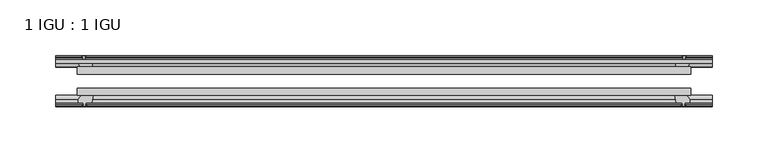
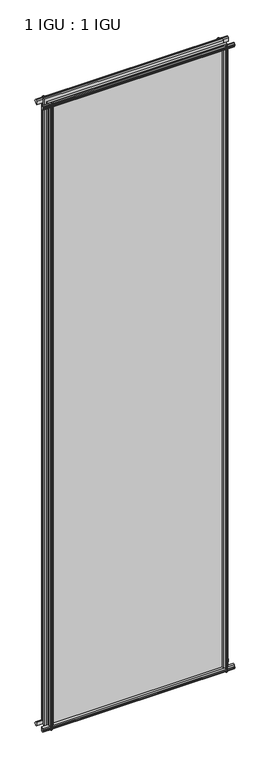
"""IFC4 building model written with IfcOpenShell, lengths in millimetres: plate geometry, 1 IGU : 1 IGU."""

from ifc_helpers import new_model, si_unit, frame, origin, place, context, project, spatial, polyline, outline, extrude, source, transform, mapped, element, save


def plate_1_igu_1_igu_d86a73c6(model_context):
    return source(origin(), model_context, "Body", "SweptSolid", [
        extrude(outline(polyline([(-273.8239964, -38.6468937), (273.8239964, -38.6468937), (273.8239964, -44.9460938), (-273.8239964, -44.9460938), (-273.8239964, -38.6468937)])), frame((0.0, 0.0, -12.7), z_axis=(0.0, 0.0, 1.0), x_axis=(1.0, 0.0, 0.0)), (0.0, 0.0, 1.0), 2019.2872996),
        extrude(outline(polyline([(-273.8239964, -19.5460937), (273.8239964, -19.5460937), (273.8239964, -25.8960938), (-273.8239964, -25.8960938), (-273.8239964, -19.5460937)])), frame((0.0, 0.0, -12.7), z_axis=(0.0, 0.0, 1.0), x_axis=(1.0, 0.0, 0.0)), (0.0, 0.0, 1.0), 2019.2872996),
        extrude(outline(polyline([(-44.9460937, 1.7177181), (-44.9460937, -9.1036578), (-48.3496937, -11.938), (-51.2960937, -11.938), (-51.2960937, -7.493), (-53.6762907, -7.112), (-53.2163575, -8.5275291), (-54.0175717, -8.5275291), (-54.7250937, -6.35), (-54.0175717, -4.1724709), (-53.2163575, -4.1724709), (-53.6762907, -5.588), (-51.2960937, -5.207), (-51.2960937, 0.0), (-44.9460937, 1.7177181)])), frame((-292.8739964, 0.0, 0.0), z_axis=(1.0, 0.0, 0.0), x_axis=(0.0, 1.0, 0.0)), (0.0, 0.0, 1.0), 585.7479928),
        extrude(outline(polyline([(-13.1960937, -12.4587), (-16.1424937, -12.4587), (-19.5460937, -9.6243578), (-19.5460937, 1.1970181), (-13.1960937, -0.5207), (-13.1960937, -5.7277), (-10.8158968, -6.1087), (-11.27583, -4.6931709), (-10.4746158, -4.6931709), (-9.7670937, -6.8707), (-10.4746158, -9.0482291), (-11.27583, -9.0482291), (-10.8158968, -7.6327), (-13.1960937, -8.0137), (-13.1960937, -12.4587)])), frame((-292.8739964, 0.0, 0.0), z_axis=(1.0, 0.0, 0.0), x_axis=(0.0, 1.0, 0.0)), (0.0, 0.0, 1.0), 585.7479928),
        extrude(outline(polyline([(-51.2960937, 2005.8252996), (-48.3496937, 2005.8252996), (-44.9460937, 2002.9909574), (-44.9460937, 1992.1695815), (-51.2960937, 1993.8872996), (-51.2960937, 1999.0942996), (-53.6762907, 1999.4752996), (-53.2163575, 1998.0597705), (-54.0175717, 1998.0597705), (-54.7250937, 2000.2372996), (-54.0175717, 2002.4148286), (-53.2163575, 2002.4148286), (-53.6762907, 2000.9992996), (-51.2960937, 2001.3802996), (-51.2960937, 2005.8252996)])), frame((-292.8739964, 0.0, 0.0), z_axis=(1.0, 0.0, 0.0), x_axis=(0.0, 1.0, 0.0)), (0.0, 0.0, 1.0), 585.7479928),
        extrude(outline(polyline([(-19.5460937, 1992.6902815), (-19.5460937, 2003.5116574), (-16.1424937, 2006.3459996), (-13.1960937, 2006.3459996), (-13.1960937, 2001.9009996), (-10.8158968, 2001.5199996), (-11.27583, 2002.9355286), (-10.4746158, 2002.9355286), (-9.7670937, 2000.7579996), (-10.4746158, 1998.5804705), (-11.27583, 1998.5804705), (-10.8158968, 1999.9959996), (-13.1960937, 1999.6149996), (-13.1960937, 1994.4079996), (-19.5460937, 1992.6902815)])), frame((-292.8739964, 0.0, 0.0), z_axis=(1.0, 0.0, 0.0), x_axis=(0.0, 1.0, 0.0)), (0.0, 0.0, 1.0), 585.7479928),
        extrude(outline(polyline([(259.9269783, -19.5460938), (261.6446964, -13.1960938), (266.8516964, -13.1960938), (267.2326964, -10.8158968), (265.8171673, -11.27583), (265.8171673, -10.4746158), (267.9946964, -9.7670938), (270.1722254, -10.4746158), (270.1722254, -11.27583), (268.7566964, -10.8158968), (269.1376964, -13.1960938), (273.5826964, -13.1960938), (273.5826964, -16.1424938), (270.7483542, -19.5460938), (259.9269783, -19.5460938)])), frame((0.0, 0.0, -12.7), z_axis=(0.0, 0.0, 1.0), x_axis=(1.0, 0.0, 0.0)), (0.0, 0.0, 1.0), 2019.2872997),
        extrude(outline(polyline([(259.4062783, -44.9460938), (270.2276542, -44.9460938), (273.0619964, -48.3496938), (273.0619964, -51.2960938), (268.6169964, -51.2960938), (268.2359964, -53.6762907), (269.6515254, -53.2163575), (269.6515254, -54.0175717), (267.4739964, -54.7250938), (265.2964673, -54.0175717), (265.2964673, -53.2163575), (266.7119964, -53.6762907), (266.3309964, -51.2960938), (261.1239964, -51.2960938), (259.4062783, -44.9460938)])), frame((0.0, 0.0, -12.7), z_axis=(0.0, 0.0, 1.0), x_axis=(1.0, 0.0, 0.0)), (0.0, 0.0, 1.0), 2019.2872997),
        extrude(outline(polyline([(-267.9946964, -9.7670937), (-265.8171673, -10.4746158), (-265.8171673, -11.27583), (-267.2326964, -10.8158968), (-266.8516964, -13.1960937), (-261.6446964, -13.1960937), (-259.9269783, -19.5460937), (-270.7483542, -19.5460937), (-273.5826964, -16.1424937), (-273.5826964, -13.1960937), (-269.1376964, -13.1960937), (-268.7566964, -10.8158968), (-270.1722254, -11.27583), (-270.1722254, -10.4746158), (-267.9946964, -9.7670937)])), frame((0.0, 0.0, -12.7), z_axis=(0.0, 0.0, 1.0), x_axis=(1.0, 0.0, 0.0)), (0.0, 0.0, 1.0), 2019.2872997),
        extrude(outline(polyline([(-273.0619964, -48.3496937), (-270.2276542, -44.9460937), (-259.4062783, -44.9460937), (-261.1239964, -51.2960937), (-266.3309964, -51.2960937), (-266.7119964, -53.6762907), (-265.2964673, -53.2163575), (-265.2964673, -54.0175717), (-267.4739964, -54.7250937), (-269.6515254, -54.0175717), (-269.6515254, -53.2163575), (-268.2359964, -53.6762907), (-268.6169964, -51.2960937), (-273.0619964, -51.2960937), (-273.0619964, -48.3496937)])), frame((0.0, 0.0, -12.7), z_axis=(0.0, 0.0, 1.0), x_axis=(1.0, 0.0, 0.0)), (0.0, 0.0, 1.0), 2019.2872997),
    ])


if __name__ == "__main__":
    model = new_model("IFC4")
    model_context = context("Model", 3, world=origin())
    ifc_project = project(units=[si_unit("LENGTHUNIT", "METRE", prefix="MILLI")], contexts=[model_context])
    site = spatial("IfcSite", under=ifc_project)
    building = spatial("IfcBuilding", under=site)
    placement = place(None, origin())
    plate_1_igu_1_igu_shape = plate_1_igu_1_igu_d86a73c6(model_context)
    element("IfcPlate", 1, ObjectType="1 IGU : 1 IGU", at=placement, inside=building, context=model_context, shape_type="MappedRepresentation", body=[
        mapped(plate_1_igu_1_igu_shape, transform((0.0, 0.0, 0.0), x_axis=(1.0, 0.0, 0.0), y_axis=(0.0, 1.0, 0.0), z_axis=(0.0, 0.0, 1.0))),
    ])
    save(model, "model.ifc")
